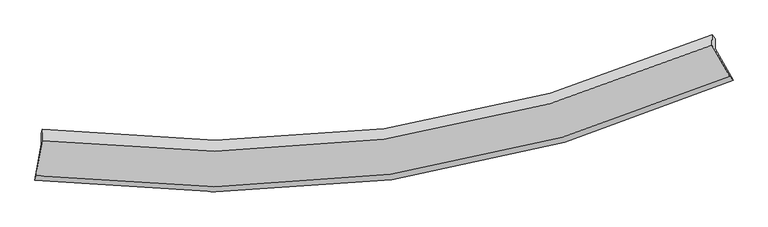
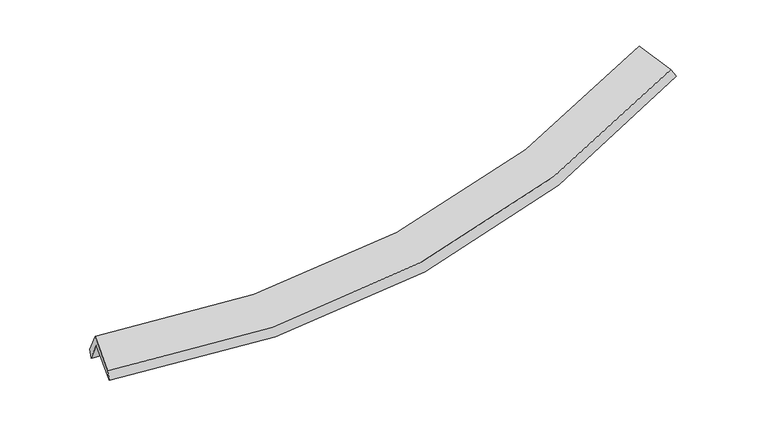
"""IFC4 building model written with IfcOpenShell, lengths in millimetres: proxy geometry."""

import ifcopenshell
import ifcopenshell.guid

model = None  # the IFC model being written
_history = None  # IfcOwnerHistory: only IFC2X3 demands one
_inside = {}  # id of a spatial element -> (the spatial element, [elements in it])
_under = {}  # id of a project, library or spatial element -> (it, [spatial elements below it])
_declared = {}  # id of a project -> (the project, [libraries it declares])
_typed = {}  # id of a type object -> (the type object, [elements of that type])
_made_of = {}  # id of a material, layer set ... -> (it, [elements and type objects made of it])


def new_model(schema):
    """Start an empty IFC model of exactly this schema.

    Asked for "IFC4X3", IfcOpenShell would pick the latest addendum, in which some entities
    have other attributes; the version numbers below select the first issue.
    IFC2X3 requires an IfcOwnerHistory on every rooted entity: one is made here for all.
    """
    global model, _history
    if schema == "IFC4X3":
        model = ifcopenshell.file(schema_version=(4, 3, 0, 0))
    else:
        model = ifcopenshell.file(schema=schema)
    _inside.clear()
    _under.clear()
    _declared.clear()
    _typed.clear()
    _made_of.clear()
    _history = None
    if model.schema == "IFC2X3":
        org = make("IfcOrganization", Name="unknown")
        user = make(
            "IfcPersonAndOrganization",
            ThePerson=make("IfcPerson", FamilyName="unknown"),
            TheOrganization=org,
        )
        app = make(
            "IfcApplication",
            ApplicationDeveloper=org,
            Version="unknown",
            ApplicationFullName="unknown",
            ApplicationIdentifier="unknown",
        )
        _history = make(
            "IfcOwnerHistory",
            OwningUser=user,
            OwningApplication=app,
            ChangeAction="ADDED",
            CreationDate=0,
        )
    return model


def make(cls, **values):
    """One entity of the class cls with the attributes given. An attribute that is None is left unset."""
    return model.create_entity(
        cls, **{name: value for name, value in values.items() if value is not None}
    )


def rooted(cls, **values):
    """An entity with a GlobalId (a new one), such as an element, a storey or a relation."""
    return make(cls, GlobalId=ifcopenshell.guid.new(), OwnerHistory=_history, **values)


def si_unit(unit_type, name, prefix=None):
    """IfcSIUnit, for example si_unit("LENGTHUNIT", "METRE", prefix="MILLI")."""
    return make("IfcSIUnit", UnitType=unit_type, Prefix=prefix, Name=name)


def assignment(units):
    """IfcUnitAssignment: the units of a project."""
    return None if units is None else make("IfcUnitAssignment", Units=units)


def point(xyz):
    """IfcCartesianPoint."""
    return None if xyz is None else make("IfcCartesianPoint", Coordinates=xyz)


def direction(xyz):
    """IfcDirection."""
    return None if xyz is None else make("IfcDirection", DirectionRatios=xyz)


def frame(location, z_axis=None, x_axis=None):
    """IfcAxis2Placement3D, a coordinate frame: its origin and axes. An axis left out is left unset."""
    return make(
        "IfcAxis2Placement3D",
        Location=point(location),
        Axis=direction(z_axis),
        RefDirection=direction(x_axis),
    )


def origin():
    """The frame at (0, 0, 0) with its axes left unset."""
    return frame((0.0, 0.0, 0.0))


def place(relative_to, where):
    """IfcLocalPlacement: puts the frame where relative to a parent placement (None: the world)."""
    return make(
        "IfcLocalPlacement", PlacementRelTo=relative_to, RelativePlacement=where
    )


def context(
    kind, dimensions, precision=None, world=None, true_north=None, identifier=None
):
    """IfcGeometricRepresentationContext, for example the 3D "Model" context."""
    return make(
        "IfcGeometricRepresentationContext",
        ContextIdentifier=identifier,
        ContextType=kind,
        CoordinateSpaceDimension=dimensions,
        Precision=precision,
        WorldCoordinateSystem=world,
        TrueNorth=true_north,
    )


def project(units=None, contexts=None):
    """IfcProject with its units and contexts."""
    return rooted(
        "IfcProject",
        Name="project",
        RepresentationContexts=contexts,
        UnitsInContext=assignment(units),
    )


def spatial(cls, under=None, at=None, **own):
    """A site, building, storey or space (cls), placed at a placement, below another one or the project."""
    s = rooted(cls, ObjectPlacement=at, **own)
    if under is not None:
        _under.setdefault(under.id(), (under, []))[1].append(s)
    return s


def shape(context_of_items, identifier, shape_type, items):
    """IfcShapeRepresentation: the items that make up one representation, for example the "Body"."""
    return make(
        "IfcShapeRepresentation",
        ContextOfItems=context_of_items,
        RepresentationIdentifier=identifier,
        RepresentationType=shape_type,
        Items=items,
    )


def source(mapping_origin, context_of_items, identifier, shape_type, items):
    """IfcRepresentationMap: a shape defined once, which mapped items show again and again."""
    return make(
        "IfcRepresentationMap",
        MappingOrigin=mapping_origin,
        MappedRepresentation=shape(context_of_items, identifier, shape_type, items),
    )


def transform(
    local_origin,
    x_axis=None,
    y_axis=None,
    z_axis=None,
    scale=None,
    scale2=None,
    scale3=None,
    uniform=True,
):
    """IfcCartesianTransformationOperator3D, or its non-uniform kind. x_axis, y_axis, z_axis: its Axis1, 2, 3."""
    if uniform:
        return make(
            "IfcCartesianTransformationOperator3D",
            Axis1=direction(x_axis),
            Axis2=direction(y_axis),
            LocalOrigin=point(local_origin),
            Scale=scale,
            Axis3=direction(z_axis),
        )
    return make(
        "IfcCartesianTransformationOperator3DnonUniform",
        Axis1=direction(x_axis),
        Axis2=direction(y_axis),
        LocalOrigin=point(local_origin),
        Scale=scale,
        Axis3=direction(z_axis),
        Scale2=scale2,
        Scale3=scale3,
    )


def mapped(mapping_source, mapping_target):
    """IfcMappedItem: shows the shape of a source again, moved by a transform."""
    return make(
        "IfcMappedItem", MappingSource=mapping_source, MappingTarget=mapping_target
    )


def made_of(thing, what):
    """Note that an element or type object is made of a material, layer set ...; save() writes the relation."""
    if what is not None:
        _made_of.setdefault(what.id(), (what, []))[1].append(thing)
    return thing


def element(
    cls,
    number,
    at=None,
    inside=None,
    cuts=None,
    type_object=None,
    material=None,
    context=None,
    identifier="Body",
    shape_type=None,
    held_by="IfcProductDefinitionShape",
    body=None,
    shapes=None,
    **own,
):
    """One element of the class cls, such as IfcWall. Its Tag is "e" and its number.

    at: its placement. inside: the storey or other place that contains it. cuts: it is an
    opening in that element (IfcRelVoidsElement). A single representation is given by context,
    identifier, shape_type and body (its items); several are given by shapes. held_by: the class
    of the entity that holds the representations. save() writes the other relations.
    """
    e = rooted(cls, Tag="e%d" % number, ObjectPlacement=at, **own)
    if body is not None:
        shapes = [shape(context, identifier, shape_type, body)]
    if shapes is not None:
        e.Representation = make(held_by, Representations=shapes)
    if inside is not None:
        _inside.setdefault(inside.id(), (inside, []))[1].append(e)
    if cuts is not None:
        rooted(
            "IfcRelVoidsElement", RelatingBuildingElement=cuts, RelatedOpeningElement=e
        )
    if type_object is not None:
        _typed.setdefault(type_object.id(), (type_object, []))[1].append(e)
    return made_of(e, material)


def aggregate(whole, parts):
    """IfcRelAggregates: a whole, such as a stair, and the parts it consists of."""
    return rooted("IfcRelAggregates", RelatingObject=whole, RelatedObjects=parts)


def save(model, path):
    """Write the relations noted so far, then the file.

    IfcRelAggregates (storeys below a building ...), IfcRelContainedInSpatialStructure (elements
    in a storey), IfcRelDefinesByType, IfcRelAssociatesMaterial and IfcRelDeclares: one each for
    every whole, place, type object, material and project.
    """
    for whole, parts in _under.values():
        aggregate(whole, parts)
    for where, things in _inside.values():
        rooted(
            "IfcRelContainedInSpatialStructure",
            RelatedElements=things,
            RelatingStructure=where,
        )
    for kind, things in _typed.values():
        rooted("IfcRelDefinesByType", RelatedObjects=things, RelatingType=kind)
    for what, things in _made_of.values():
        rooted("IfcRelAssociatesMaterial", RelatedObjects=things, RelatingMaterial=what)
    for by, libraries in _declared.values():
        rooted("IfcRelDeclares", RelatingContext=by, RelatedDefinitions=libraries)
    model.write(path)


def plane_surface(at):
    """IfcPlane: the flat surface through the origin of the frame at, square to its z axis."""
    return make("IfcPlane", Position=at)


def spline_curve(degree, points, multiplicities, knots, weights=None):
    """IfcBSplineCurveWithKnots; with weights, IfcRationalBSplineCurveWithKnots."""
    own = dict(
        Degree=degree,
        ControlPointsList=[point(p) for p in points],
        CurveForm="UNSPECIFIED",
        ClosedCurve=False,
        SelfIntersect=False,
        KnotMultiplicities=multiplicities,
        Knots=knots,
        KnotSpec="UNSPECIFIED",
    )
    if weights is None:
        return make("IfcBSplineCurveWithKnots", **own)
    return make("IfcRationalBSplineCurveWithKnots", WeightsData=weights, **own)


def spline_surface(u_degree, v_degree, points, u_multiplicities, v_multiplicities, u_knots, v_knots, weights=None):
    """IfcBSplineSurfaceWithKnots; with weights, IfcRationalBSplineSurfaceWithKnots. points: one row for each step in u."""
    own = dict(
        UDegree=u_degree,
        VDegree=v_degree,
        ControlPointsList=[[point(p) for p in row] for row in points],
        SurfaceForm="UNSPECIFIED",
        UClosed=False,
        VClosed=False,
        SelfIntersect=False,
        UMultiplicities=u_multiplicities,
        VMultiplicities=v_multiplicities,
        UKnots=u_knots,
        VKnots=v_knots,
        KnotSpec="UNSPECIFIED",
    )
    if weights is None:
        return make("IfcBSplineSurfaceWithKnots", **own)
    return make("IfcRationalBSplineSurfaceWithKnots", WeightsData=weights, **own)


def advanced_brep(points, edges, surfaces, faces):
    """IfcAdvancedBrep: a solid bounded by faces that lie on surfaces and meet in shared edges.

    An edge is (start, end): straight between two places in points (the first is 0);
    or (start, end, curve); or (start, end, curve, False) where it runs against its curve.
    A face is (place in surfaces, loops), or (place, loops, False) where it looks against
    its surface's normal. A loop lists edges by number (the first is 1), with a minus sign
    where the edge is run from its end to its start. The first loop is the outer one.
    """
    corners = [point(p) for p in points]
    vertices = [make("IfcVertexPoint", VertexGeometry=c) for c in corners]
    made = []
    for start, end, *more in edges:
        made.append(
            make(
                "IfcEdgeCurve",
                EdgeStart=vertices[start],
                EdgeEnd=vertices[end],
                EdgeGeometry=more[0] if more else make("IfcPolyline", Points=[corners[start], corners[end]]),
                SameSense=more[1] if len(more) > 1 else True,
            )
        )
    hull = []
    for where, loops, *sense in faces:
        bounds = []
        for j, loop in enumerate(loops):
            ring = [make("IfcOrientedEdge", EdgeElement=made[abs(k) - 1], Orientation=k > 0) for k in loop]
            bounds.append(
                make(
                    "IfcFaceOuterBound" if j == 0 else "IfcFaceBound",
                    Bound=make("IfcEdgeLoop", EdgeList=ring),
                    Orientation=True,
                )
            )
        hull.append(make("IfcAdvancedFace", Bounds=bounds, FaceSurface=surfaces[where], SameSense=sense[0] if sense else True))
    return make("IfcAdvancedBrep", Outer=make("IfcClosedShell", CfsFaces=hull))


def generic_models_8ed41cdd(model_context):
    return source(origin(), model_context, "Body", "AdvancedBrep", [
        advanced_brep(
        [(-5890.3222599, -2698.9665576, 1474.3753273), (-5787.0758687, -2095.4560417, 1776.0566984), (5639.6444378, -477.8008369, 2731.2267365), (5943.9225297, -1009.0188582, 2471.6749044), (-5781.4695742, -1911.6044709, 1406.3448213), (5645.0282494, -301.2453168, 2376.1866763), (-5764.1541541, -1839.557535, 1531.4787497), (5589.6633818, -239.5304227, 2489.2660606), (-5769.9509019, -2029.6547903, 1913.7502354), (5584.3358181, -414.2413594, 2840.5968005), (-5872.4501335, -2628.7979022, 1614.2520316), (5885.4580978, -939.949867, 2583.7369034)],
        [
            (0, 1),
            (1, 2, spline_curve(3, [(-5787.0758687, -2095.4560417, 1776.0566984), (-3793.163793374, -2362.334693628, 1659.98963071), (-1847.91567382, -2362.722371296, 1680.60895456), (1961.8463675, -1828.187568943, 1996.596692843), (3825.505017101, -1288.581489973, 2294.367381993), (5639.6444378, -477.8008369, 2731.2267365)], [4, 2, 4], [0.0, 19.492571876191978, 39.1556894070858])),
            (2, 3),
            (3, 0, spline_curve(3, [(5943.9225297, -1009.0188582, 2471.6749044), (4068.019942685, -1849.942665388, 2018.889287248), (2139.357364798, -2410.631643529, 1709.648705623), (-1806.302143716, -2969.107459958, 1379.694755504), (-3822.387829662, -2971.734380714, 1356.502144175), (-5890.3222599, -2698.9665576, 1474.3753273)], [4, 2, 4], [0.0, 19.663117530893825, 39.1556894070858])),
            (1, 4),
            (4, 5, spline_curve(3, [(-5781.4695742, -1911.6044709, 1406.3448213), (-3787.663977802, -2181.974975111, 1297.299608946), (-1842.487709026, -2184.718902028, 1322.657175761), (1967.199563042, -1652.63607518, 1643.575655471), (3830.855901982, -1113.105763115, 1941.498706058), (5645.0282494, -301.2453168, 2376.1866763)], [4, 2, 4], [0.0, 19.149262057106284, 38.46606606072068])),
            (5, 2),
            (4, 6),
            (6, 7, spline_curve(3, [(-5764.1541541, -1839.557535, 1531.4787497), (-3786.718008286, -2093.691845932, 1434.972752633), (-1855.766159383, -2089.135836863, 1465.631421126), (1929.656651649, -1560.339968349, 1782.658929678), (3783.310647489, -1031.553606783, 2071.2626975), (5589.6633818, -239.5304227, 2489.2660606)], [4, 2, 4], [0.0, 19.080649367429988, 38.3282403708418])),
            (7, 5),
            (6, 8),
            (8, 9, spline_curve(3, [(-5769.9509019, -2029.6547903, 1913.7502354), (-3792.359715206, -2278.704711669, 1807.019908747), (-1861.291248472, -2270.32438766, 1829.988162896), (1924.288631866, -1736.377600725, 2136.657555326), (3777.982405631, -1206.286780918, 2422.638155941), (5584.3358181, -414.2413594, 2840.5968005)], [4, 2, 4], [0.0, 19.012226783247865, 38.19079655523439])),
            (9, 7),
            (8, 10),
            (10, 11, spline_curve(3, [(-5872.4501335, -2628.7979022, 1614.2520316), (-3820.69049362, -2886.823849642, 1504.182763587), (-1819.03351382, -2876.884728495, 1528.996583009), (2101.149788301, -2318.644889811, 1849.787625962), (4018.795552285, -1765.634666567, 2148.135430785), (5885.4580978, -939.949867, 2583.7369034)], [4, 2, 4], [0.0, 19.35404171377085, 38.87741704529962])),
            (11, 9),
            (10, 0),
            (3, 11),
        ],
        [
            spline_surface(3, 3, [[(-5890.3222599, -2698.9665576, 1474.3753273), (-3822.387829529, -2971.734380842, 1356.50214443), (-1806.302143917, -2969.107459674, 1379.69475551), (2139.357365001, -2410.631643815, 1709.648705617), (4068.019942552, -1849.942665166, 2018.889286946), (5943.9225297, -1009.0188582, 2471.6749044)], [(-5855.906796163, -2497.796385628, 1574.93578433), (-3812.646484096, -2768.601151806, 1457.664639874), (-1820.173320577, -2766.97909684, 1479.99948846), (2080.187032572, -2216.483618898, 1805.298034793), (3987.181634084, -1662.822273446, 2110.715318729), (5842.496499039, -831.946184424, 2558.192181768)], [(-5821.491332437, -2296.626213672, 1675.49624137), (-3802.905138674, -2565.467922785, 1558.827135326), (-1834.044497306, -2564.850734008, 1580.30422136), (2021.016700075, -2022.335593983, 1900.94736392), (3906.3433257, -1475.701881754, 2202.541350506), (5741.070468461, -654.873510676, 2644.709459132)], [(-5787.0758687, -2095.4560417, 1776.0566984), (-3793.16379324, -2362.334693749, 1659.98963077), (-1847.915673966, -2362.722371173, 1680.60895431), (1961.846367647, -1828.187569066, 1996.596693096), (3825.505017233, -1288.581490034, 2294.367382289), (5639.6444378, -477.8008369, 2731.2267365)]], [4, 4], [4, 2, 4], [0.0, 2.2050017402422153], [0.0, 19.492571876191978, 39.1556894070858]),
            spline_surface(3, 3, [[(-5787.0758687, -2095.4560417, 1776.0566984), (-3793.16379324, -2362.334693749, 1659.98963077), (-1847.915673966, -2362.722371173, 1680.60895431), (1961.846367647, -1828.187569066, 1996.596693096), (3825.505017233, -1288.581490034, 2294.367382289), (5639.6444378, -477.8008369, 2731.2267365)], [(-5785.207103877, -2034.172184781, 1652.819406035), (-3791.330521451, -2302.214787454, 1539.092956806), (-1846.106352349, -2303.387881473, 1561.291694885), (1963.630766089, -1769.670404427, 1878.923013767), (3827.288645538, -1230.089581095, 2176.7444903), (5641.439041696, -418.948996868, 2612.880049772)], [(-5783.338339023, -1972.888327819, 1529.582113665), (-3789.49724963, -2242.094881113, 1418.196282837), (-1844.297030652, -2244.053391767, 1441.974435502), (1965.41516461, -1711.153239781, 1761.24933448), (3829.072273754, -1171.59767215, 2059.121598294), (5643.233645504, -360.097156832, 2494.533363028)], [(-5781.4695742, -1911.6044709, 1406.3448213), (-3787.663977841, -2181.974974818, 1297.299608873), (-1842.487709035, -2184.718902067, 1322.657176077), (1967.199563051, -1652.636075141, 1643.575655152), (3830.855902059, -1113.10576321, 1941.498706305), (5645.0282494, -301.2453168, 2376.1866763)]], [4, 4], [4, 2, 4], [0.0, 1.3025843034039377], [0.0, 19.149262057106284, 38.46606606072068]),
            spline_surface(3, 3, [[(-5781.4695742, -1911.6044709, 1406.3448213), (-3787.663977841, -2181.974974818, 1297.299608873), (-1842.487709035, -2184.718902067, 1322.657176077), (1967.199563051, -1652.636075141, 1643.575655152), (3830.855902059, -1113.10576321, 1941.498706305), (5645.0282494, -301.2453168, 2376.1866763)], [(-5775.697767495, -1887.588825592, 1448.056130765), (-3787.34865471, -2152.547265107, 1343.19065672), (-1846.913859019, -2152.857880316, 1370.315257824), (1954.685259172, -1621.870706234, 1689.936746584), (3815.007483763, -1085.921710991, 1984.753370057), (5626.573293511, -280.673685434, 2413.87980442)], [(-5769.925960805, -1863.573180308, 1489.767440235), (-3787.033331594, -2123.11955542, 1389.081704574), (-1851.340009084, -2120.996858553, 1417.973339588), (1942.170955211, -1591.105337316, 1736.297838035), (3799.159065535, -1058.737658769, 2028.00803375), (5608.118337689, -260.102054066, 2451.57293248)], [(-5764.1541541, -1839.557535, 1531.4787497), (-3786.718008463, -2093.691845709, 1434.972752422), (-1855.766159068, -2089.135836802, 1465.631421335), (1929.656651332, -1560.33996841, 1782.658929468), (3783.310647239, -1031.55360655, 2071.262697502), (5589.6633818, -239.5304227, 2489.2660606)]], [4, 4], [4, 2, 4], [0.0, 0.5621367806548143], [0.0, 19.080649367429988, 38.3282403708418]),
            spline_surface(3, 3, [[(-5764.1541541, -1839.557535, 1531.4787497), (-3786.718008463, -2093.691845709, 1434.972752422), (-1855.766159068, -2089.135836802, 1465.631421335), (1929.656651332, -1560.33996841, 1782.658929468), (3783.310647239, -1031.55360655, 2071.262697502), (5589.6633818, -239.5304227, 2489.2660606)], [(-5766.086403371, -1902.923286776, 1658.90257826), (-3788.598577309, -2155.362801136, 1558.988471185), (-1857.607855545, -2149.532020428, 1587.083668524), (1927.867311523, -1619.019179119, 1900.658471429), (3781.534566628, -1089.79799811, 2188.387850391), (5587.887527227, -297.76740162, 2606.376307222)], [(-5768.018652629, -1966.289038524, 1786.32640684), (-3790.479146141, -2217.033756536, 1683.004189967), (-1859.449552029, -2209.928204137, 1708.535915698), (1926.077971708, -1677.698389912, 2018.658013374), (3779.758486036, -1148.042389607, 2305.513003314), (5586.111672673, -356.00438048, 2723.486553878)], [(-5769.9509019, -2029.6547903, 1913.7502354), (-3792.359714986, -2278.704711962, 1807.019908731), (-1861.291248506, -2270.324387762, 1829.988162887), (1924.2886319, -1736.377600622, 2136.657555335), (3777.982405425, -1206.286781167, 2422.638156203), (5584.3358181, -414.2413594, 2840.5968005)]], [4, 4], [4, 2, 4], [0.0, 1.3160242293244815], [0.0, 19.012226783247865, 38.19079655523439]),
            spline_surface(3, 3, [[(-5769.9509019, -2029.6547903, 1913.7502354), (-3792.359714986, -2278.704711962, 1807.019908731), (-1861.291248506, -2270.324387762, 1829.988162887), (1924.2886319, -1736.377600622, 2136.657555335), (3777.982405425, -1206.286781167, 2422.638156203), (5584.3358181, -414.2413594, 2840.5968005)], [(-5804.117312424, -2229.369160943, 1813.917500803), (-3801.803307768, -2481.411091228, 1706.074193691), (-1847.205336931, -2472.511167935, 1729.657636196), (1983.242350641, -1930.466697092, 2041.034245576), (3858.253454403, -1392.736076247, 2331.137247726), (5684.709911353, -589.477528599, 2754.976834797)], [(-5838.283722976, -2429.083531557, 1714.084766197), (-3811.246900578, -2684.117470464, 1605.128478643), (-1833.119425288, -2674.697948107, 1629.327109556), (2042.196069452, -2124.555793559, 1945.410935867), (3938.524503322, -1579.185371329, 2239.636339257), (5785.084004547, -764.713697801, 2669.356869103)], [(-5872.4501335, -2628.7979022, 1614.2520316), (-3820.69049336, -2886.823849729, 1504.182763603), (-1819.033513714, -2876.88472828, 1528.996582865), (2101.149788193, -2318.644890028, 1849.787626107), (4018.7955523, -1765.634666409, 2148.13543078), (5885.4580978, -939.949867, 2583.7369034)]], [4, 4], [4, 2, 4], [0.0, 2.2049887144973854], [0.0, 19.35404171377085, 38.87741704529962]),
            spline_surface(3, 3, [[(-5872.4501335, -2628.7979022, 1614.2520316), (-3820.69049336, -2886.823849729, 1504.182763603), (-1819.033513714, -2876.88472828, 1528.996582865), (2101.149788193, -2318.644890028, 1849.787626107), (4018.7955523, -1765.634666409, 2148.13543078), (5885.4580978, -939.949867, 2583.7369034)], [(-5878.40750897, -2652.187453979, 1567.626463507), (-3821.256272086, -2915.12736008, 1454.955890553), (-1814.789723785, -2907.625638767, 1479.229307095), (2113.885647126, -2349.307141312, 1803.074652626), (4035.203682392, -1793.737332648, 2105.053382822), (5904.946241775, -962.972864054, 2546.38290372)], [(-5884.36488443, -2675.577005821, 1521.000895393), (-3821.822050803, -2943.430870492, 1405.729017481), (-1810.545933846, -2938.366549188, 1429.46203128), (2126.621506068, -2379.969392531, 1756.361679099), (4051.61181246, -1821.839998926, 2061.971334904), (5924.434385725, -985.995861146, 2509.02890408)], [(-5890.3222599, -2698.9665576, 1474.3753273), (-3822.387829529, -2971.734380842, 1356.50214443), (-1806.302143917, -2969.107459674, 1379.69475551), (2139.357365001, -2410.631643815, 1709.648705617), (4068.019942552, -1849.942665166, 2018.889286946), (5943.9225297, -1009.0188582, 2471.6749044)]], [4, 4], [4, 2, 4], [0.0, 0.5689179139556095], [0.0, 19.76576712526914, 39.704470162560256]),
            plane_surface(frame((5714.6754191, -563.6311102, 2582.1146803), z_axis=(0.8890532279715126, 0.40439916902331074, 0.21458254804780638), x_axis=(0.4576024866671747, -0.7988964500781657, -0.39033886079728614))),
            plane_surface(frame((-5810.9038154, -2200.6728829, 1619.3763106), z_axis=(-0.9884004488848894, 0.1414278995295104, 0.055341683013978446), x_axis=(0.11346856858332326, 0.44549466011112265, 0.8880649704588776))),
        ],
        [
            (0, [[1, 2, 3, 4]]),
            (1, [[5, 6, 7, -2]]),
            (2, [[8, 9, 10, -6]]),
            (3, [[11, 12, 13, -9]]),
            (4, [[14, 15, 16, -12]]),
            (5, [[17, -4, 18, -15]]),
            (6, [[-16, -18, -3, -7, -10, -13]]),
            (7, [[-17, -14, -11, -8, -5, -1]]),
        ],
    ),
    ])


if __name__ == "__main__":
    model = new_model("IFC4")
    model_context = context("Model", 3, world=origin())
    ifc_project = project(units=[si_unit("LENGTHUNIT", "METRE", prefix="MILLI")], contexts=[model_context])
    site = spatial("IfcSite", under=ifc_project)
    building = spatial("IfcBuilding", under=site)
    placement = place(None, origin())
    generic_models_shape = generic_models_8ed41cdd(model_context)
    element("IfcBuildingElementProxy", 1, Name="Generic Models", at=placement, inside=building, context=model_context, shape_type="MappedRepresentation", body=[
        mapped(generic_models_shape, transform((0.0, 0.0, 0.0), x_axis=(1.0, 0.0, 0.0), y_axis=(0.0, 1.0, 0.0), z_axis=(0.0, 0.0, 1.0))),
    ])
    save(model, "model.ifc")
